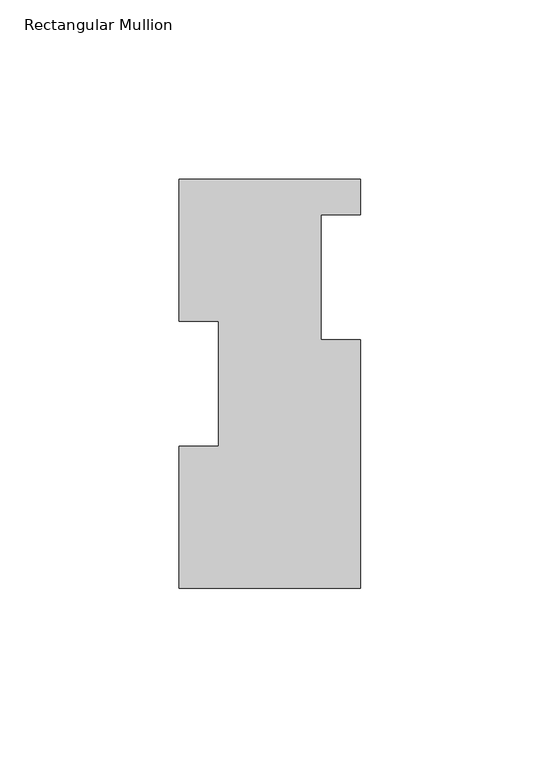
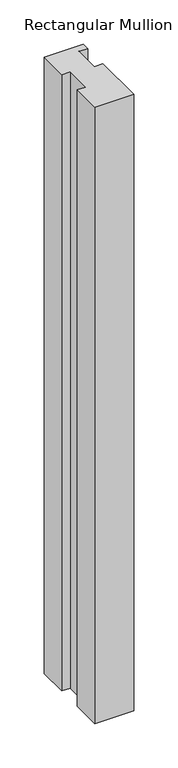
"""IFC4 building model written with IfcOpenShell, lengths in millimetres: member geometry, Rectangular Mullion."""

from ifc_helpers import new_model, si_unit, frame, origin, place, context, project, spatial, polyline, outline, extrude, source, transform, mapped, element, save


def rectangular_mullion_7d79ffd8(model_context):
    return source(origin(), model_context, "Body", "SweptSolid", [
        extrude(outline(polyline([(-25.4, 114.0729875), (25.4, 114.0729875), (25.4, 104.1669875), (14.2875, 104.1669875), (14.2875, 69.2419875), (25.4, 69.2419875), (25.4, -0.2270125), (-25.4, -0.2270125), (-25.4, 39.4477875), (-14.2875, 39.4477875), (-14.2875, 74.3981875), (-25.4, 74.3981875), (-25.4, 114.0729875)])), frame((0.0, 0.0, -850.9), z_axis=(0.0, 0.0, 1.0), x_axis=(1.0, 0.0, 0.0)), (0.0, 0.0, 1.0), 850.9),
    ])


if __name__ == "__main__":
    model = new_model("IFC4")
    model_context = context("Model", 3, world=origin())
    ifc_project = project(units=[si_unit("LENGTHUNIT", "METRE", prefix="MILLI")], contexts=[model_context])
    site = spatial("IfcSite", under=ifc_project)
    building = spatial("IfcBuilding", under=site)
    placement = place(None, origin())
    rectangular_mullion_shape = rectangular_mullion_7d79ffd8(model_context)
    element("IfcMember", 1, ObjectType="Rectangular Mullion", at=placement, inside=building, context=model_context, shape_type="MappedRepresentation", body=[
        mapped(rectangular_mullion_shape, transform((0.0, 0.0, 0.0), x_axis=(1.0, 0.0, 0.0), y_axis=(0.0, 1.0, 0.0), z_axis=(0.0, 0.0, 1.0))),
    ])
    save(model, "model.ifc")
